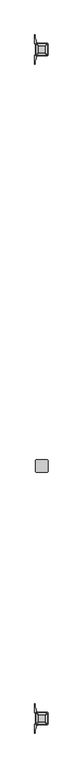
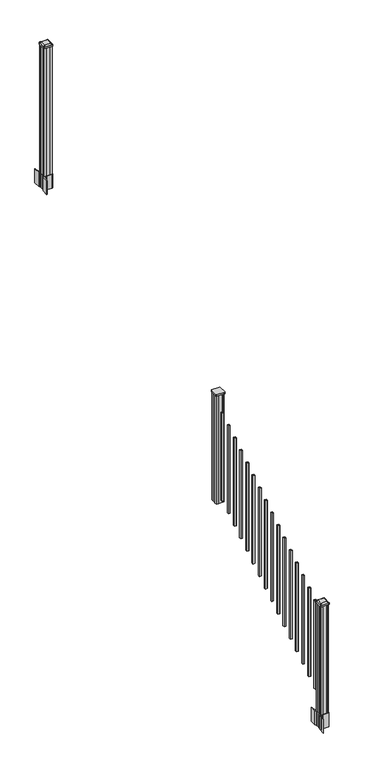
"""IFC4 building model written with IfcOpenShell, lengths in millimetres: railing geometry."""

from ifc_helpers import new_model, si_unit, point, frame, frame_2d, origin, place, context, project, spatial, polyline, circle_curve, trimmed, segment, composite_curve, outline, extrude, source, transform, mapped, element, save
from ifc_brep_helpers import plane_surface, extruded_surface, advanced_brep


def railing_d398b920(model_context):
    return source(origin(), model_context, "Body", "SolidModel", [
        extrude(outline(composite_curve([segment(trimmed(circle_curve(frame_2d((13945.4114534, -5881.0562181)), 3.175), [point((13945.4114534, -5884.2312181))], [point((13942.2364534, -5881.0562181))], False, "CARTESIAN"), True, "CONTINUOUS"), segment(polyline([(13942.2364534, -5881.0562181), (13942.2364534, -5796.9187181)]), True, "CONTINUOUS"), segment(trimmed(circle_curve(frame_2d((13945.4114534, -5796.9187181)), 3.175), [point((13942.2364534, -5796.9187181))], [point((13945.4114534, -5793.7437181))], False, "CARTESIAN"), True, "CONTINUOUS"), segment(polyline([(13945.4114534, -5793.7437181), (14029.5489534, -5793.7437181)]), True, "CONTINUOUS"), segment(trimmed(circle_curve(frame_2d((14029.5489534, -5796.9187181)), 3.175), [point((14029.5489534, -5793.7437181))], [point((14032.7239534, -5796.9187181))], False, "CARTESIAN"), True, "CONTINUOUS"), segment(polyline([(14032.7239534, -5796.9187181), (14032.7239534, -5881.0562181)]), True, "CONTINUOUS"), segment(trimmed(circle_curve(frame_2d((14029.5489534, -5881.0562181)), 3.175), [point((14032.7239534, -5881.0562181))], [point((14029.5489534, -5884.2312181))], False, "CARTESIAN"), True, "CONTINUOUS"), segment(polyline([(14029.5489534, -5884.2312181), (13945.4114534, -5884.2312181)]), True, "CONTINUOUS")], self_intersect=False)), frame((0.0, 0.0, 2518.534263), z_axis=(0.0, 0.0, 1.0), x_axis=(1.0, 0.0, 0.0)), (0.0, 0.0, 1.0), 17.272),
        extrude(outline(polyline([(13947.7927034, -5880.2624681), (13946.2052034, -5878.6749681), (13946.2052034, -5859.0534681), (13947.7927034, -5858.2914681), (13947.7927034, -5819.6834681), (13946.2052034, -5818.9214681), (13946.2052034, -5799.2999681), (13947.7927034, -5797.7124681), (13967.4142034, -5797.7124681), (13968.1762034, -5799.2999681), (14006.7842034, -5799.2999681), (14007.5462034, -5797.7124681), (14027.1677034, -5797.7124681), (14028.7552034, -5799.2999681), (14028.7552034, -5818.9214681), (14027.1677034, -5819.6834681), (14027.1677034, -5858.2914681), (14028.7552034, -5859.0534681), (14028.7552034, -5878.6749681), (14027.1677034, -5880.2624681), (14007.5462034, -5880.2624681), (14006.7842034, -5878.6749681), (13968.1762034, -5878.6749681), (13967.4142034, -5880.2624681), (13947.7927034, -5880.2624681)])), frame((0.0, 0.0, 1334.77), z_axis=(0.0, 0.0, 1.0), x_axis=(1.0, 0.0, 0.0)), (0.0, 0.0, 1.0), 1183.764263),
        extrude(outline(polyline([(13997.0052034, -5929.5384681), (13977.9552034, -5929.5384681), (13977.9552034, -5910.4884681), (13997.0052034, -5910.4884681), (13997.0052034, -5929.5384681)]), holes=[polyline([(13996.6083284, -5929.1415931), (13996.6083284, -5910.8853431), (13978.3520784, -5910.8853431), (13978.3520784, -5929.1415931), (13996.6083284, -5929.1415931)])]), frame((0.0, 0.0, 1385.7246281), z_axis=(0.0, 0.0, 1.0), x_axis=(1.0, 0.0, 0.0)), (0.0, 0.0, 1.0), 965.2041219),
        extrude(outline(polyline([(13997.0052034, -6040.7904681), (13977.9552034, -6040.7904681), (13977.9552034, -6021.7404681), (13997.0052034, -6021.7404681), (13997.0052034, -6040.7904681)]), holes=[polyline([(13996.6083284, -6040.3935931), (13996.6083284, -6022.1373431), (13978.3520784, -6022.1373431), (13978.3520784, -6040.3935931), (13996.6083284, -6040.3935931)])]), frame((0.0, 0.0, 1316.1921281), z_axis=(0.0, 0.0, 1.0), x_axis=(1.0, 0.0, 0.0)), (0.0, 0.0, 1.0), 965.2041219),
        extrude(outline(polyline([(13997.0052034, -6152.0424681), (13977.9552034, -6152.0424681), (13977.9552034, -6132.9924681), (13997.0052034, -6132.9924681), (13997.0052034, -6152.0424681)]), holes=[polyline([(13996.6083284, -6151.6455931), (13996.6083284, -6133.3893431), (13978.3520784, -6133.3893431), (13978.3520784, -6151.6455931), (13996.6083284, -6151.6455931)])]), frame((0.0, 0.0, 1246.6596281), z_axis=(0.0, 0.0, 1.0), x_axis=(1.0, 0.0, 0.0)), (0.0, 0.0, 1.0), 965.2041219),
        extrude(outline(polyline([(13997.0052034, -6263.2944681), (13977.9552034, -6263.2944681), (13977.9552034, -6244.2444681), (13997.0052034, -6244.2444681), (13997.0052034, -6263.2944681)]), holes=[polyline([(13996.6083284, -6262.8975931), (13996.6083284, -6244.6413431), (13978.3520784, -6244.6413431), (13978.3520784, -6262.8975931), (13996.6083284, -6262.8975931)])]), frame((0.0, 0.0, 1177.1271281), z_axis=(0.0, 0.0, 1.0), x_axis=(1.0, 0.0, 0.0)), (0.0, 0.0, 1.0), 965.2041219),
        extrude(outline(polyline([(13997.0052034, -6374.5464681), (13977.9552034, -6374.5464681), (13977.9552034, -6355.4964681), (13997.0052034, -6355.4964681), (13997.0052034, -6374.5464681)]), holes=[polyline([(13996.6083284, -6374.1495931), (13996.6083284, -6355.8933431), (13978.3520784, -6355.8933431), (13978.3520784, -6374.1495931), (13996.6083284, -6374.1495931)])]), frame((0.0, 0.0, 1107.5946281), z_axis=(0.0, 0.0, 1.0), x_axis=(1.0, 0.0, 0.0)), (0.0, 0.0, 1.0), 965.2041219),
        extrude(outline(polyline([(13997.0052034, -6485.7984681), (13977.9552034, -6485.7984681), (13977.9552034, -6466.7484681), (13997.0052034, -6466.7484681), (13997.0052034, -6485.7984681)]), holes=[polyline([(13996.6083284, -6485.4015931), (13996.6083284, -6467.1453431), (13978.3520784, -6467.1453431), (13978.3520784, -6485.4015931), (13996.6083284, -6485.4015931)])]), frame((0.0, 0.0, 1038.0621281), z_axis=(0.0, 0.0, 1.0), x_axis=(1.0, 0.0, 0.0)), (0.0, 0.0, 1.0), 965.2041219),
        extrude(outline(polyline([(13997.0052034, -6597.0504681), (13977.9552034, -6597.0504681), (13977.9552034, -6578.0004681), (13997.0052034, -6578.0004681), (13997.0052034, -6597.0504681)]), holes=[polyline([(13996.6083284, -6596.6535931), (13996.6083284, -6578.3973431), (13978.3520784, -6578.3973431), (13978.3520784, -6596.6535931), (13996.6083284, -6596.6535931)])]), frame((0.0, 0.0, 968.5296281), z_axis=(0.0, 0.0, 1.0), x_axis=(1.0, 0.0, 0.0)), (0.0, 0.0, 1.0), 965.2041219),
        extrude(outline(polyline([(13997.0052034, -6708.3024681), (13977.9552034, -6708.3024681), (13977.9552034, -6689.2524681), (13997.0052034, -6689.2524681), (13997.0052034, -6708.3024681)]), holes=[polyline([(13996.6083284, -6707.9055931), (13996.6083284, -6689.6493431), (13978.3520784, -6689.6493431), (13978.3520784, -6707.9055931), (13996.6083284, -6707.9055931)])]), frame((0.0, 0.0, 898.9971281), z_axis=(0.0, 0.0, 1.0), x_axis=(1.0, 0.0, 0.0)), (0.0, 0.0, 1.0), 965.2041219),
        extrude(outline(polyline([(13997.0052034, -6819.5544681), (13977.9552034, -6819.5544681), (13977.9552034, -6800.5044681), (13997.0052034, -6800.5044681), (13997.0052034, -6819.5544681)]), holes=[polyline([(13996.6083284, -6819.1575931), (13996.6083284, -6800.9013431), (13978.3520784, -6800.9013431), (13978.3520784, -6819.1575931), (13996.6083284, -6819.1575931)])]), frame((0.0, 0.0, 829.4646281), z_axis=(0.0, 0.0, 1.0), x_axis=(1.0, 0.0, 0.0)), (0.0, 0.0, 1.0), 965.2041219),
        extrude(outline(polyline([(13997.0052034, -6930.8064681), (13977.9552034, -6930.8064681), (13977.9552034, -6911.7564681), (13997.0052034, -6911.7564681), (13997.0052034, -6930.8064681)]), holes=[polyline([(13996.6083284, -6930.4095931), (13996.6083284, -6912.1533431), (13978.3520784, -6912.1533431), (13978.3520784, -6930.4095931), (13996.6083284, -6930.4095931)])]), frame((0.0, 0.0, 759.9321281), z_axis=(0.0, 0.0, 1.0), x_axis=(1.0, 0.0, 0.0)), (0.0, 0.0, 1.0), 965.2041219),
        extrude(outline(polyline([(13997.0052034, -7042.0584681), (13977.9552034, -7042.0584681), (13977.9552034, -7023.0084681), (13997.0052034, -7023.0084681), (13997.0052034, -7042.0584681)]), holes=[polyline([(13996.6083284, -7041.6615931), (13996.6083284, -7023.4053431), (13978.3520784, -7023.4053431), (13978.3520784, -7041.6615931), (13996.6083284, -7041.6615931)])]), frame((0.0, 0.0, 690.3996281), z_axis=(0.0, 0.0, 1.0), x_axis=(1.0, 0.0, 0.0)), (0.0, 0.0, 1.0), 965.2041219),
        extrude(outline(polyline([(13997.0052034, -7153.3104681), (13977.9552034, -7153.3104681), (13977.9552034, -7134.2604681), (13997.0052034, -7134.2604681), (13997.0052034, -7153.3104681)]), holes=[polyline([(13996.6083284, -7152.9135931), (13996.6083284, -7134.6573431), (13978.3520784, -7134.6573431), (13978.3520784, -7152.9135931), (13996.6083284, -7152.9135931)])]), frame((0.0, 0.0, 620.8671281), z_axis=(0.0, 0.0, 1.0), x_axis=(1.0, 0.0, 0.0)), (0.0, 0.0, 1.0), 965.2041219),
        extrude(outline(polyline([(13997.0052034, -7264.5624681), (13977.9552034, -7264.5624681), (13977.9552034, -7245.5124681), (13997.0052034, -7245.5124681), (13997.0052034, -7264.5624681)]), holes=[polyline([(13996.6083284, -7264.1655931), (13996.6083284, -7245.9093431), (13978.3520784, -7245.9093431), (13978.3520784, -7264.1655931), (13996.6083284, -7264.1655931)])]), frame((0.0, 0.0, 551.3346281), z_axis=(0.0, 0.0, 1.0), x_axis=(1.0, 0.0, 0.0)), (0.0, 0.0, 1.0), 965.2041219),
        extrude(outline(polyline([(13997.0052034, -7375.8144681), (13977.9552034, -7375.8144681), (13977.9552034, -7356.7644681), (13997.0052034, -7356.7644681), (13997.0052034, -7375.8144681)]), holes=[polyline([(13996.6083284, -7375.4175931), (13996.6083284, -7357.1613431), (13978.3520784, -7357.1613431), (13978.3520784, -7375.4175931), (13996.6083284, -7375.4175931)])]), frame((0.0, 0.0, 481.8021281), z_axis=(0.0, 0.0, 1.0), x_axis=(1.0, 0.0, 0.0)), (0.0, 0.0, 1.0), 965.2041219),
        extrude(outline(polyline([(13997.0052034, -7487.0664681), (13977.9552034, -7487.0664681), (13977.9552034, -7468.0164681), (13997.0052034, -7468.0164681), (13997.0052034, -7487.0664681)]), holes=[polyline([(13996.6083284, -7486.6695931), (13996.6083284, -7468.4133431), (13978.3520784, -7468.4133431), (13978.3520784, -7486.6695931), (13996.6083284, -7486.6695931)])]), frame((0.0, 0.0, 412.2696281), z_axis=(0.0, 0.0, 1.0), x_axis=(1.0, 0.0, 0.0)), (0.0, 0.0, 1.0), 965.2041219),
        extrude(outline(polyline([(13997.0052034, -7598.3184681), (13977.9552034, -7598.3184681), (13977.9552034, -7579.2684681), (13997.0052034, -7579.2684681), (13997.0052034, -7598.3184681)]), holes=[polyline([(13996.6083284, -7597.9215931), (13996.6083284, -7579.6653431), (13978.3520784, -7579.6653431), (13978.3520784, -7597.9215931), (13996.6083284, -7597.9215931)])]), frame((0.0, 0.0, 342.7371281), z_axis=(0.0, 0.0, 1.0), x_axis=(1.0, 0.0, 0.0)), (0.0, 0.0, 1.0), 965.2041219),
        extrude(outline(polyline([(13947.7927034, -2792.8924681), (13946.2052034, -2791.3049681), (13946.2052034, -2771.6834681), (13947.7927034, -2770.9214681), (13947.7927034, -2732.3134681), (13946.2052034, -2731.5514681), (13946.2052034, -2711.9299681), (13947.7927034, -2710.3424681), (13967.4142034, -2710.3424681), (13968.1762034, -2711.9299681), (14006.7842034, -2711.9299681), (14007.5462034, -2710.3424681), (14027.1677034, -2710.3424681), (14028.7552034, -2711.9299681), (14028.7552034, -2731.5514681), (14027.1677034, -2732.3134681), (14027.1677034, -2770.9214681), (14028.7552034, -2771.6834681), (14028.7552034, -2791.3049681), (14027.1677034, -2792.8924681), (14007.5462034, -2792.8924681), (14006.7842034, -2791.3049681), (13968.1762034, -2791.3049681), (13967.4142034, -2792.8924681), (13947.7927034, -2792.8924681)])), frame((0.0, 0.0, 3048.0), z_axis=(0.0, 0.0, 1.0), x_axis=(1.0, 0.0, 0.0)), (0.0, 0.0, 1.0), 1400.140513),
        extrude(outline(composite_curve([segment(polyline([(14030.2157034, -2769.003563), (14031.8032034, -2769.765563), (14031.8032034, -2792.567491), (14028.4302263, -2795.9404681), (13966.9705555, -2795.9404681), (13966.9705555, -2796.8612181), (13961.6530117, -2796.8612181), (13961.6530117, -2798.3154728), (13956.568482, -2798.3154728), (13956.568482, -2799.5994966), (13954.9012097, -2799.5994966)]), True, "CONTINUOUS"), segment(trimmed(circle_curve(frame_2d((13954.9012097, -2806.6589565)), 7.0594599), [point((13954.9012097, -2799.5994966))], [point((13948.1339468, -2804.6489498))], True, "CARTESIAN"), True, "CONTINUOUS"), segment(polyline([(13948.1339468, -2804.6489498), (13940.2597526, -2831.1596789)]), True, "CONTINUOUS"), segment(trimmed(circle_curve(frame_2d((13995.0442659, -2847.4317285)), 57.15), [point((13940.2597526, -2831.1596789))], [point((13937.8942659, -2847.4317285))], True, "CARTESIAN"), True, "CONTINUOUS"), segment(polyline([(13937.8942659, -2847.4317285), (13937.8942659, -2859.4404681), (13934.8942659, -2859.4404681), (13934.8942659, -2794.3529681), (13943.1572034, -2783.0146768), (13943.1572034, -2769.765563), (13944.7447034, -2769.003563), (13944.7447034, -2734.2313732), (13943.1572034, -2733.4693732), (13943.1572034, -2720.2202594), (13934.8942659, -2708.8819681), (13934.8942659, -2643.7944681), (13937.8942659, -2643.7944681), (13937.8942659, -2655.8032076)]), True, "CONTINUOUS"), segment(trimmed(circle_curve(frame_2d((13995.0442659, -2655.8032076)), 57.15), [point((13937.8942659, -2655.8032076))], [point((13940.2597526, -2672.0752573))], True, "CARTESIAN"), True, "CONTINUOUS"), segment(polyline([(13940.2597526, -2672.0752573), (13948.1339468, -2698.5859864)]), True, "CONTINUOUS"), segment(trimmed(circle_curve(frame_2d((13954.9012097, -2696.5759797)), 7.0594599), [point((13948.1339468, -2698.5859864))], [point((13954.9012097, -2703.6354396))], True, "CARTESIAN"), True, "CONTINUOUS"), segment(polyline([(13954.9012097, -2703.6354396), (13956.568482, -2703.6354396), (13956.568482, -2704.9194634), (13961.6530117, -2704.9194634), (13961.6530117, -2706.3737181), (13966.9705555, -2706.3737181), (13966.9705555, -2707.2944681), (14028.4302263, -2707.2944681), (14031.8032034, -2710.6674452), (14031.8032034, -2733.4693732), (14030.2157034, -2734.2313732), (14030.2157034, -2769.003563)]), True, "CONTINUOUS")], self_intersect=False), holes=[polyline([(13946.2052034, -2711.9299681), (13946.2052034, -2791.3049681), (13947.7927034, -2792.8924681), (13984.716986, -2792.8924681), (14027.1677034, -2792.8924681), (14028.7552034, -2791.3049681), (14028.7552034, -2711.9299681), (14027.1677034, -2710.3424681), (13984.716986, -2710.3424681), (13947.7927034, -2710.3424681), (13946.2052034, -2711.9299681)])]), frame((0.0, 0.0, 2895.6), z_axis=(0.0, 0.0, 1.0), x_axis=(1.0, 0.0, 0.0)), (0.0, 0.0, 1.0), 152.4),
        advanced_brep(
        [(13961.6833284, -2780.5893431, 4476.715513), (14013.2770784, -2780.5893431, 4476.715513), (14016.4520784, -2777.4143431, 4476.715513), (14016.4520784, -2725.8205931, 4476.715513), (14013.2770784, -2722.6455931, 4476.715513), (13961.6833284, -2722.6455931, 4476.715513), (13958.5083284, -2725.8205931, 4476.715513), (13958.5083284, -2777.4143431, 4476.715513), (13945.4114534, -2796.8612181, 4465.412513), (13942.2364534, -2793.6862181, 4465.412513), (13942.2364534, -2709.5487181, 4465.412513), (13945.4114534, -2706.3737181, 4465.412513), (14029.5489534, -2706.3737181, 4465.412513), (14032.7239534, -2709.5487181, 4465.412513), (14032.7239534, -2793.6862181, 4465.412513), (14029.5489534, -2796.8612181, 4465.412513)],
        [
            (0, 1),
            (1, 2, circle_curve(frame((14013.2770784, -2777.4143431, 4476.715513), z_axis=(0.0, 0.0, 1.0), x_axis=(0.0, 1.0, 0.0)), 3.175)),
            (2, 3),
            (3, 4, circle_curve(frame((14013.2770784, -2725.8205931, 4476.715513), z_axis=(0.0, 0.0, 1.0), x_axis=(0.0, 1.0, 0.0)), 3.175)),
            (4, 5),
            (5, 6, circle_curve(frame((13961.6833284, -2725.8205931, 4476.715513), z_axis=(0.0, 0.0, 1.0), x_axis=(0.0, 1.0, 0.0)), 3.175)),
            (6, 7),
            (7, 0, circle_curve(frame((13961.6833284, -2777.4143431, 4476.715513), z_axis=(0.0, 0.0, 1.0), x_axis=(0.0, 1.0, 0.0)), 3.175)),
            (8, 9, circle_curve(frame((13945.4114534, -2793.6862181, 4465.412513), z_axis=(0.0, 0.0, -1.0), x_axis=(0.0, 1.0, 0.0)), 3.175)),
            (9, 10),
            (10, 11, circle_curve(frame((13945.4114534, -2709.5487181, 4465.412513), z_axis=(0.0, 0.0, -1.0), x_axis=(0.0, 1.0, 0.0)), 3.175)),
            (11, 12),
            (12, 13, circle_curve(frame((14029.5489534, -2709.5487181, 4465.412513), z_axis=(0.0, 0.0, -1.0), x_axis=(0.0, 1.0, 0.0)), 3.175)),
            (13, 14),
            (14, 15, circle_curve(frame((14029.5489534, -2793.6862181, 4465.412513), z_axis=(0.0, 0.0, -1.0), x_axis=(0.0, 1.0, 0.0)), 3.175)),
            (15, 8),
            (8, 0),
            (7, 9),
            (6, 10),
            (5, 11),
            (4, 12),
            (3, 13),
            (2, 14),
            (1, 15),
        ],
        [
            plane_surface(frame((13987.4802034, -2751.6174681, 4476.715513), z_axis=(0.0, 0.0, 1.0), x_axis=(-1.0, 0.0, 0.0))),
            plane_surface(frame((13987.4802034, -2751.6174681, 4465.412513), z_axis=(0.0, 0.0, -1.0), x_axis=(-1.0, 0.0, 0.0))),
            extruded_surface(trimmed(circle_curve(frame((13961.6833284, -2777.4143431, 4476.715513), z_axis=(0.0, 0.0, -1.0), x_axis=(0.0, 1.0, 0.0)), 3.175), [point((13961.6833284, -2780.5893431, 4476.715513))], [point((13958.5083284, -2777.4143431, 4476.715513))], True, "CARTESIAN"), (-16.271875000000364, -16.27187499999991, -11.302999999999884), 25.637972638866284),
            plane_surface(frame((13942.2364534, -2751.6174681, 4465.412513), z_axis=(-0.5705009161540685, 0.0, 0.8212969649690474), x_axis=(0.0, 1.0, 0.0))),
            extruded_surface(trimmed(circle_curve(frame((13961.6833284, -2725.8205931, 4476.715513), z_axis=(0.0, 0.0, -1.0), x_axis=(0.0, 1.0, 0.0)), 3.175), [point((13958.5083284, -2725.8205931, 4476.715513))], [point((13961.6833284, -2722.6455931, 4476.715513))], True, "CARTESIAN"), (-16.271875000000364, 16.271875000000364, -11.302999999999884), 25.63797263886657),
            plane_surface(frame((13987.4802034, -2706.3737181, 4465.412513), z_axis=(0.0, 0.5705009161540291, 0.8212969649690747), x_axis=(1.0, 0.0, 0.0))),
            extruded_surface(trimmed(circle_curve(frame((14013.2770784, -2725.8205931, 4476.715513), z_axis=(0.0, 0.0, -1.0), x_axis=(0.0, 1.0, 0.0)), 3.175), [point((14013.2770784, -2722.6455931, 4476.715513))], [point((14016.4520784, -2725.8205931, 4476.715513))], True, "CARTESIAN"), (16.271875000000364, 16.271875000000364, -11.302999999999884), 25.63797263886657),
            plane_surface(frame((14032.7239534, -2751.6174681, 4465.412513), z_axis=(0.5705009161540235, 0.0, 0.8212969649690786), x_axis=(0.0, -1.0, 0.0))),
            extruded_surface(trimmed(circle_curve(frame((14013.2770784, -2777.4143431, 4476.715513), z_axis=(0.0, 0.0, -1.0), x_axis=(0.0, 1.0, 0.0)), 3.175), [point((14016.4520784, -2777.4143431, 4476.715513))], [point((14013.2770784, -2780.5893431, 4476.715513))], True, "CARTESIAN"), (16.271875000000364, -16.27187499999991, -11.302999999999884), 25.637972638866284),
            plane_surface(frame((13987.4802034, -2796.8612181, 4465.412513), z_axis=(0.0, -0.570500916154034, 0.8212969649690713), x_axis=(-1.0, 0.0, 0.0))),
        ],
        [
            (0, [[1, 2, 3, 4, 5, 6, 7, 8]]),
            (1, [[9, 10, 11, 12, 13, 14, 15, 16]]),
            (2, [[17, -8, 18, -9]]),
            (3, [[-18, -7, 19, -10]]),
            (4, [[-19, -6, 20, -11]]),
            (5, [[-20, -5, 21, -12]]),
            (6, [[-21, -4, 22, -13]]),
            (7, [[-22, -3, 23, -14]]),
            (8, [[-23, -2, 24, -15]]),
            (9, [[-24, -1, -17, -16]]),
        ],
    ),
        extrude(outline(composite_curve([segment(trimmed(circle_curve(frame_2d((13945.4114534, -2793.6862181)), 3.175), [point((13945.4114534, -2796.8612181))], [point((13942.2364534, -2793.6862181))], False, "CARTESIAN"), True, "CONTINUOUS"), segment(polyline([(13942.2364534, -2793.6862181), (13942.2364534, -2709.5487181)]), True, "CONTINUOUS"), segment(trimmed(circle_curve(frame_2d((13945.4114534, -2709.5487181)), 3.175), [point((13942.2364534, -2709.5487181))], [point((13945.4114534, -2706.3737181))], False, "CARTESIAN"), True, "CONTINUOUS"), segment(polyline([(13945.4114534, -2706.3737181), (14029.5489534, -2706.3737181)]), True, "CONTINUOUS"), segment(trimmed(circle_curve(frame_2d((14029.5489534, -2709.5487181)), 3.175), [point((14029.5489534, -2706.3737181))], [point((14032.7239534, -2709.5487181))], False, "CARTESIAN"), True, "CONTINUOUS"), segment(polyline([(14032.7239534, -2709.5487181), (14032.7239534, -2793.6862181)]), True, "CONTINUOUS"), segment(trimmed(circle_curve(frame_2d((14029.5489534, -2793.6862181)), 3.175), [point((14032.7239534, -2793.6862181))], [point((14029.5489534, -2796.8612181))], False, "CARTESIAN"), True, "CONTINUOUS"), segment(polyline([(14029.5489534, -2796.8612181), (13945.4114534, -2796.8612181)]), True, "CONTINUOUS")], self_intersect=False)), frame((0.0, 0.0, 4448.140513), z_axis=(0.0, 0.0, 1.0), x_axis=(1.0, 0.0, 0.0)), (0.0, 0.0, 1.0), 17.272),
        extrude(outline(composite_curve([segment(polyline([(14030.2157034, -7728.607563), (14031.8032034, -7729.369563), (14031.8032034, -7752.171491), (14028.4302263, -7755.5444681), (13966.9705555, -7755.5444681), (13966.9705555, -7756.4652181), (13961.6530117, -7756.4652181), (13961.6530117, -7757.9194728), (13956.568482, -7757.9194728), (13956.568482, -7759.2034966), (13954.9012097, -7759.2034966)]), True, "CONTINUOUS"), segment(trimmed(circle_curve(frame_2d((13954.9012097, -7766.2629565)), 7.0594599), [point((13954.9012097, -7759.2034966))], [point((13948.1339468, -7764.2529498))], True, "CARTESIAN"), True, "CONTINUOUS"), segment(polyline([(13948.1339468, -7764.2529498), (13940.2597526, -7790.7636789)]), True, "CONTINUOUS"), segment(trimmed(circle_curve(frame_2d((13995.0442659, -7807.0357285)), 57.15), [point((13940.2597526, -7790.7636789))], [point((13937.8942659, -7807.0357285))], True, "CARTESIAN"), True, "CONTINUOUS"), segment(polyline([(13937.8942659, -7807.0357285), (13937.8942659, -7819.0444681), (13934.8942659, -7819.0444681), (13934.8942659, -7753.9569681), (13943.1572034, -7742.6186768), (13943.1572034, -7729.369563), (13944.7447034, -7728.607563), (13944.7447034, -7693.8353732), (13943.1572034, -7693.0733732), (13943.1572034, -7679.8242594), (13934.8942659, -7668.4859681), (13934.8942659, -7603.3984681), (13937.8942659, -7603.3984681), (13937.8942659, -7615.4072076)]), True, "CONTINUOUS"), segment(trimmed(circle_curve(frame_2d((13995.0442659, -7615.4072076)), 57.15), [point((13937.8942659, -7615.4072076))], [point((13940.2597526, -7631.6792573))], True, "CARTESIAN"), True, "CONTINUOUS"), segment(polyline([(13940.2597526, -7631.6792573), (13948.1339468, -7658.1899864)]), True, "CONTINUOUS"), segment(trimmed(circle_curve(frame_2d((13954.9012097, -7656.1799797)), 7.0594599), [point((13948.1339468, -7658.1899864))], [point((13954.9012097, -7663.2394396))], True, "CARTESIAN"), True, "CONTINUOUS"), segment(polyline([(13954.9012097, -7663.2394396), (13956.568482, -7663.2394396), (13956.568482, -7664.5234634), (13961.6530117, -7664.5234634), (13961.6530117, -7665.9777181), (13966.9705555, -7665.9777181), (13966.9705555, -7666.8984681), (14028.4302263, -7666.8984681), (14031.8032034, -7670.2714452), (14031.8032034, -7693.0733732), (14030.2157034, -7693.8353732), (14030.2157034, -7728.607563)]), True, "CONTINUOUS")], self_intersect=False), holes=[polyline([(13946.2052034, -7671.5339681), (13946.2052034, -7750.9089681), (13947.7927034, -7752.4964681), (13984.716986, -7752.4964681), (14027.1677034, -7752.4964681), (14028.7552034, -7750.9089681), (14028.7552034, -7671.5339681), (14027.1677034, -7669.9464681), (13984.716986, -7669.9464681), (13947.7927034, -7669.9464681), (13946.2052034, -7671.5339681)])]), frame((0.0, 0.0, 12.22375), z_axis=(0.0, 0.0, 1.0), x_axis=(1.0, 0.0, 0.0)), (0.0, 0.0, 1.0), 152.4),
        advanced_brep(
        [(13961.6833284, -7740.1933431, 1376.963013), (14013.2770784, -7740.1933431, 1376.963013), (14016.4520784, -7737.0183431, 1376.963013), (14016.4520784, -7685.4245931, 1376.963013), (14013.2770784, -7682.2495931, 1376.963013), (13961.6833284, -7682.2495931, 1376.963013), (13958.5083284, -7685.4245931, 1376.963013), (13958.5083284, -7737.0183431, 1376.963013), (13945.4114534, -7756.4652181, 1365.660013), (13942.2364534, -7753.2902181, 1365.660013), (13942.2364534, -7669.1527181, 1365.660013), (13945.4114534, -7665.9777181, 1365.660013), (14029.5489534, -7665.9777181, 1365.660013), (14032.7239534, -7669.1527181, 1365.660013), (14032.7239534, -7753.2902181, 1365.660013), (14029.5489534, -7756.4652181, 1365.660013)],
        [
            (0, 1),
            (1, 2, circle_curve(frame((14013.2770784, -7737.0183431, 1376.963013), z_axis=(0.0, 0.0, 1.0), x_axis=(0.0, 1.0, 0.0)), 3.175)),
            (2, 3),
            (3, 4, circle_curve(frame((14013.2770784, -7685.4245931, 1376.963013), z_axis=(0.0, 0.0, 1.0), x_axis=(0.0, 1.0, 0.0)), 3.175)),
            (4, 5),
            (5, 6, circle_curve(frame((13961.6833284, -7685.4245931, 1376.963013), z_axis=(0.0, 0.0, 1.0), x_axis=(0.0, 1.0, 0.0)), 3.175)),
            (6, 7),
            (7, 0, circle_curve(frame((13961.6833284, -7737.0183431, 1376.963013), z_axis=(0.0, 0.0, 1.0), x_axis=(0.0, 1.0, 0.0)), 3.175)),
            (8, 9, circle_curve(frame((13945.4114534, -7753.2902181, 1365.660013), z_axis=(0.0, 0.0, -1.0), x_axis=(0.0, 1.0, 0.0)), 3.175)),
            (9, 10),
            (10, 11, circle_curve(frame((13945.4114534, -7669.1527181, 1365.660013), z_axis=(0.0, 0.0, -1.0), x_axis=(0.0, 1.0, 0.0)), 3.175)),
            (11, 12),
            (12, 13, circle_curve(frame((14029.5489534, -7669.1527181, 1365.660013), z_axis=(0.0, 0.0, -1.0), x_axis=(0.0, 1.0, 0.0)), 3.175)),
            (13, 14),
            (14, 15, circle_curve(frame((14029.5489534, -7753.2902181, 1365.660013), z_axis=(0.0, 0.0, -1.0), x_axis=(0.0, 1.0, 0.0)), 3.175)),
            (15, 8),
            (8, 0),
            (7, 9),
            (6, 10),
            (5, 11),
            (4, 12),
            (3, 13),
            (2, 14),
            (1, 15),
        ],
        [
            plane_surface(frame((13987.4802034, -7711.2214681, 1376.963013), z_axis=(0.0, 0.0, 1.0), x_axis=(-1.0, 0.0, 0.0))),
            plane_surface(frame((13987.4802034, -7711.2214681, 1365.660013), z_axis=(0.0, 0.0, -1.0), x_axis=(-1.0, 0.0, 0.0))),
            extruded_surface(trimmed(circle_curve(frame((13961.6833284, -7737.0183431, 1376.963013), z_axis=(0.0, 0.0, -1.0), x_axis=(0.0, 1.0, 0.0)), 3.175), [point((13961.6833284, -7740.1933431, 1376.963013))], [point((13958.5083284, -7737.0183431, 1376.963013))], True, "CARTESIAN"), (-16.271875000000364, -16.271875000000364, -11.303000000000111), 25.63797263886667),
            plane_surface(frame((13942.2364534, -7711.2214681, 1365.660013), z_axis=(-0.5705009161540778, 0.0, 0.8212969649690408), x_axis=(0.0, 1.0, 0.0))),
            extruded_surface(trimmed(circle_curve(frame((13961.6833284, -7685.4245931, 1376.963013), z_axis=(0.0, 0.0, -1.0), x_axis=(0.0, 1.0, 0.0)), 3.175), [point((13958.5083284, -7685.4245931, 1376.963013))], [point((13961.6833284, -7682.2495931, 1376.963013))], True, "CARTESIAN"), (-16.271875000000364, 16.271874999999454, -11.303000000000111), 25.637972638866096),
            plane_surface(frame((13987.4802034, -7665.9777181, 1365.660013), z_axis=(0.0, 0.5705009161540291, 0.8212969649690747), x_axis=(1.0, 0.0, 0.0))),
            extruded_surface(trimmed(circle_curve(frame((14013.2770784, -7685.4245931, 1376.963013), z_axis=(0.0, 0.0, -1.0), x_axis=(0.0, 1.0, 0.0)), 3.175), [point((14013.2770784, -7682.2495931, 1376.963013))], [point((14016.4520784, -7685.4245931, 1376.963013))], True, "CARTESIAN"), (16.271875000000364, 16.271874999999454, -11.303000000000111), 25.637972638866096),
            plane_surface(frame((14032.7239534, -7711.2214681, 1365.660013), z_axis=(0.5705009161540142, 0.0, 0.8212969649690851), x_axis=(0.0, -1.0, 0.0))),
            extruded_surface(trimmed(circle_curve(frame((14013.2770784, -7737.0183431, 1376.963013), z_axis=(0.0, 0.0, -1.0), x_axis=(0.0, 1.0, 0.0)), 3.175), [point((14016.4520784, -7737.0183431, 1376.963013))], [point((14013.2770784, -7740.1933431, 1376.963013))], True, "CARTESIAN"), (16.271875000000364, -16.271875000000364, -11.303000000000111), 25.63797263886667),
            plane_surface(frame((13987.4802034, -7756.4652181, 1365.660013), z_axis=(0.0, -0.570500916154034, 0.8212969649690713), x_axis=(-1.0, 0.0, 0.0))),
        ],
        [
            (0, [[1, 2, 3, 4, 5, 6, 7, 8]]),
            (1, [[9, 10, 11, 12, 13, 14, 15, 16]]),
            (2, [[17, -8, 18, -9]]),
            (3, [[-18, -7, 19, -10]]),
            (4, [[-19, -6, 20, -11]]),
            (5, [[-20, -5, 21, -12]]),
            (6, [[-21, -4, 22, -13]]),
            (7, [[-22, -3, 23, -14]]),
            (8, [[-23, -2, 24, -15]]),
            (9, [[-24, -1, -17, -16]]),
        ],
    ),
        extrude(outline(composite_curve([segment(trimmed(circle_curve(frame_2d((13945.4114534, -7753.2902181)), 3.175), [point((13945.4114534, -7756.4652181))], [point((13942.2364534, -7753.2902181))], False, "CARTESIAN"), True, "CONTINUOUS"), segment(polyline([(13942.2364534, -7753.2902181), (13942.2364534, -7669.1527181)]), True, "CONTINUOUS"), segment(trimmed(circle_curve(frame_2d((13945.4114534, -7669.1527181)), 3.175), [point((13942.2364534, -7669.1527181))], [point((13945.4114534, -7665.9777181))], False, "CARTESIAN"), True, "CONTINUOUS"), segment(polyline([(13945.4114534, -7665.9777181), (14029.5489534, -7665.9777181)]), True, "CONTINUOUS"), segment(trimmed(circle_curve(frame_2d((14029.5489534, -7669.1527181)), 3.175), [point((14029.5489534, -7665.9777181))], [point((14032.7239534, -7669.1527181))], False, "CARTESIAN"), True, "CONTINUOUS"), segment(polyline([(14032.7239534, -7669.1527181), (14032.7239534, -7753.2902181)]), True, "CONTINUOUS"), segment(trimmed(circle_curve(frame_2d((14029.5489534, -7753.2902181)), 3.175), [point((14032.7239534, -7753.2902181))], [point((14029.5489534, -7756.4652181))], False, "CARTESIAN"), True, "CONTINUOUS"), segment(polyline([(14029.5489534, -7756.4652181), (13945.4114534, -7756.4652181)]), True, "CONTINUOUS")], self_intersect=False)), frame((0.0, 0.0, 1348.388013), z_axis=(0.0, 0.0, 1.0), x_axis=(1.0, 0.0, 0.0)), (0.0, 0.0, 1.0), 17.272),
        extrude(outline(polyline([(13947.7927034, -7752.4964681), (13946.2052034, -7750.9089681), (13946.2052034, -7731.2874681), (13947.7927034, -7730.5254681), (13947.7927034, -7691.9174681), (13946.2052034, -7691.1554681), (13946.2052034, -7671.5339681), (13947.7927034, -7669.9464681), (13967.4142034, -7669.9464681), (13968.1762034, -7671.5339681), (14006.7842034, -7671.5339681), (14007.5462034, -7669.9464681), (14027.1677034, -7669.9464681), (14028.7552034, -7671.5339681), (14028.7552034, -7691.1554681), (14027.1677034, -7691.9174681), (14027.1677034, -7730.5254681), (14028.7552034, -7731.2874681), (14028.7552034, -7750.9089681), (14027.1677034, -7752.4964681), (14007.5462034, -7752.4964681), (14006.7842034, -7750.9089681), (13968.1762034, -7750.9089681), (13967.4142034, -7752.4964681), (13947.7927034, -7752.4964681)])), frame((0.0, 0.0, 164.62375), z_axis=(0.0, 0.0, 1.0), x_axis=(1.0, 0.0, 0.0)), (0.0, 0.0, 1.0), 1183.764263),
    ])


if __name__ == "__main__":
    model = new_model("IFC4")
    model_context = context("Model", 3, world=origin())
    ifc_project = project(units=[si_unit("LENGTHUNIT", "METRE", prefix="MILLI")], contexts=[model_context])
    site = spatial("IfcSite", under=ifc_project)
    building = spatial("IfcBuilding", under=site)
    placement = place(None, origin())
    railing_shape = railing_d398b920(model_context)
    element("IfcRailing", 1, at=placement, inside=building, context=model_context, shape_type="MappedRepresentation", body=[
        mapped(railing_shape, transform((0.0, 0.0, 0.0), x_axis=(1.0, 0.0, 0.0), y_axis=(0.0, 1.0, 0.0), z_axis=(0.0, 0.0, 1.0))),
    ])
    save(model, "model.ifc")
